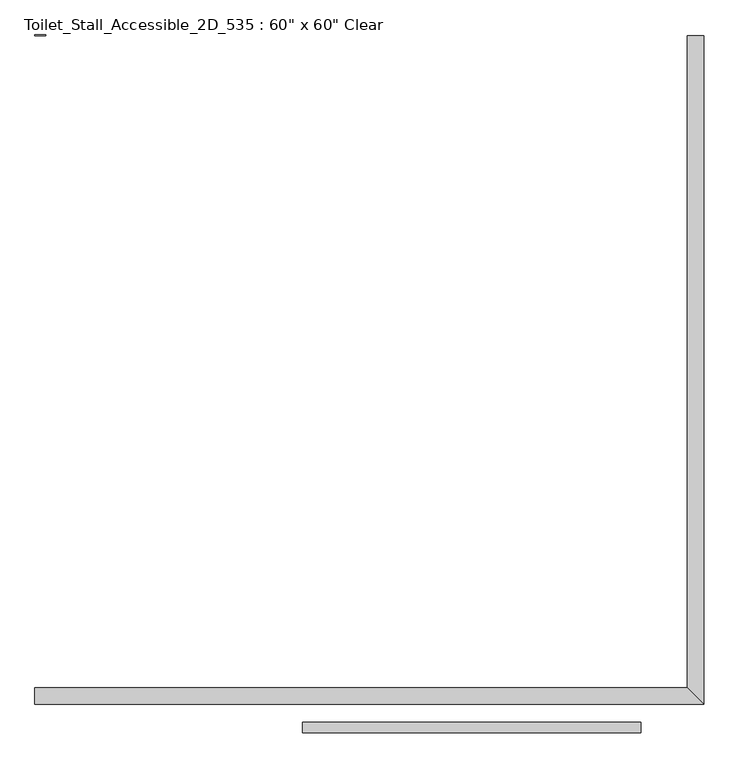
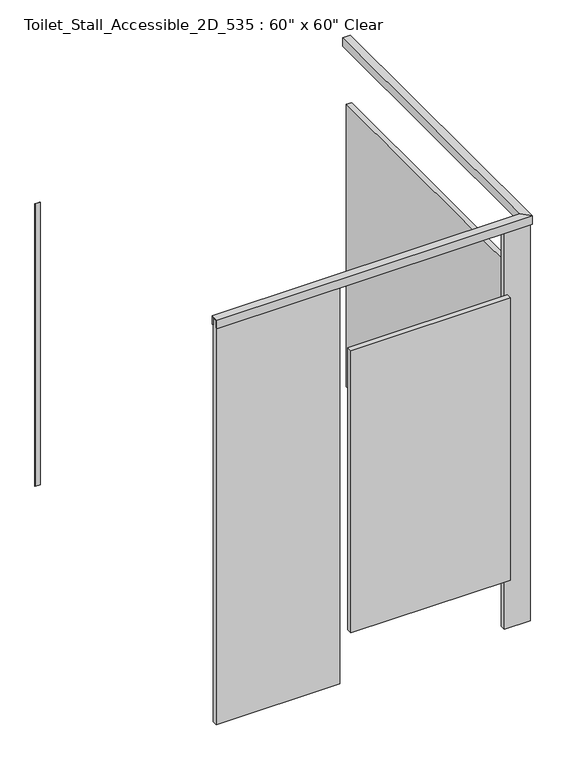
"""IFC4 building model written with IfcOpenShell, lengths in millimetres: proxy geometry."""

from ifc_helpers import new_model, si_unit, frame, origin, origin_with_axes, place, context, project, spatial, polyline, outline, extrude, faceted_brep, source, transform, mapped, element, save


def proxy_b6c16d8f(model_context):
    return source(origin(), model_context, "Body", "SolidModel", [
        extrude(outline(polyline([(2881.4031538, -1662.1125), (2094.0031538, -1662.1125), (2094.0031538, -1636.7125), (2881.4031538, -1636.7125), (2881.4031538, -1662.1125)])), frame((0.0, 0.0, 304.8), z_axis=(0.0, 0.0, 1.0), x_axis=(1.0, 0.0, 0.0)), (0.0, 0.0, 1.0), 1473.2),
        faceted_brep([(1471.7031538, -1589.0875, 2108.2), (1471.7031538, -1589.0875, 2070.1), (1471.7031538, -1595.4375, 2070.1), (1471.7031538, -1595.4375, 2114.55), (1471.7031538, -1557.3375, 2114.55), (1471.7031538, -1557.3375, 2070.1), (1471.7031538, -1563.6875, 2070.1), (1471.7031538, -1563.6875, 2108.2), (2995.7031538, -1563.6875, 2108.2), (3021.1031538, -1589.0875, 2108.2), (2995.7031538, -1563.6875, 2070.1), (2989.3531538, -1557.3375, 2070.1), (2989.3531538, -1557.3375, 2114.55), (3027.4531538, -1595.4375, 2114.55), (3027.4531538, -1595.4375, 2070.1), (3021.1031538, -1589.0875, 2070.1), (3021.1031538, -41.275, 2108.2), (2995.7031538, -41.275, 2108.2), (2995.7031538, -41.275, 2070.1), (2989.3531538, -41.275, 2070.1), (2989.3531538, -41.275, 2114.55), (3027.4531538, -41.275, 2114.55), (3027.4531538, -41.275, 2070.1), (3021.1031538, -41.275, 2070.1)], [[[0, 1, 2, 3, 4, 5, 6, 7]], [[7, 8, 9, 0]], [[6, 10, 8, 7]], [[5, 11, 10, 6]], [[4, 12, 11, 5]], [[3, 13, 12, 4]], [[2, 14, 13, 3]], [[1, 15, 14, 2]], [[0, 9, 15, 1]], [[16, 17, 18, 19, 20, 21, 22, 23]], [[8, 17, 16, 9]], [[10, 18, 17, 8]], [[11, 19, 18, 10]], [[12, 20, 19, 11]], [[13, 21, 20, 12]], [[14, 22, 21, 13]], [[15, 23, 22, 14]], [[9, 16, 23, 15]]]),
        extrude(outline(polyline([(2995.7031538, -1587.5), (2995.7031538, -63.5), (3021.1031538, -63.5), (3021.1031538, -1587.5), (2995.7031538, -1587.5)])), frame((0.0, 0.0, 304.8), z_axis=(0.0, 0.0, 1.0), x_axis=(1.0, 0.0, 0.0)), (0.0, 0.0, 1.0), 1473.2),
        extrude(outline(polyline([(2081.3031538, -1589.0875), (1471.7031538, -1589.0875), (1471.7031538, -1563.6875), (2081.3031538, -1563.6875), (2081.3031538, -1589.0875)])), origin_with_axes(), (0.0, 0.0, 1.0), 2108.2),
        extrude(outline(polyline([(3021.1031538, -1589.0875), (2894.1031538, -1589.0875), (2894.1031538, -1563.6875), (3021.1031538, -1563.6875), (3021.1031538, -1589.0875)])), origin_with_axes(), (0.0, 0.0, 1.0), 2108.2),
        extrude(outline(polyline([(1471.7031538, -41.275), (1471.7031538, -39.6875), (1497.1031538, -39.6875), (1497.1031538, -41.275), (1471.7031538, -41.275)])), frame((0.0, 0.0, 304.8), z_axis=(0.0, 0.0, 1.0), x_axis=(1.0, 0.0, 0.0)), (0.0, 0.0, 1.0), 1473.2),
    ])


if __name__ == "__main__":
    model = new_model("IFC4")
    model_context = context("Model", 3, world=origin())
    ifc_project = project(units=[si_unit("LENGTHUNIT", "METRE", prefix="MILLI")], contexts=[model_context])
    site = spatial("IfcSite", under=ifc_project)
    building = spatial("IfcBuilding", under=site)
    placement = place(None, origin())
    proxy_shape = proxy_b6c16d8f(model_context)
    element("IfcBuildingElementProxy", 1, Name="Toilet_Stall_Accessible_2D_535 : 60\" x 60\" Clear", ObjectType="Toilet_Stall_Accessible_2D_535 : 60\" x 60\" Clear", at=placement, inside=building, context=model_context, shape_type="MappedRepresentation", body=[
        mapped(proxy_shape, transform((0.0, 0.0, 0.0), x_axis=(1.0, 0.0, 0.0), y_axis=(0.0, 1.0, 0.0), z_axis=(0.0, 0.0, 1.0))),
    ])
    save(model, "model.ifc")
